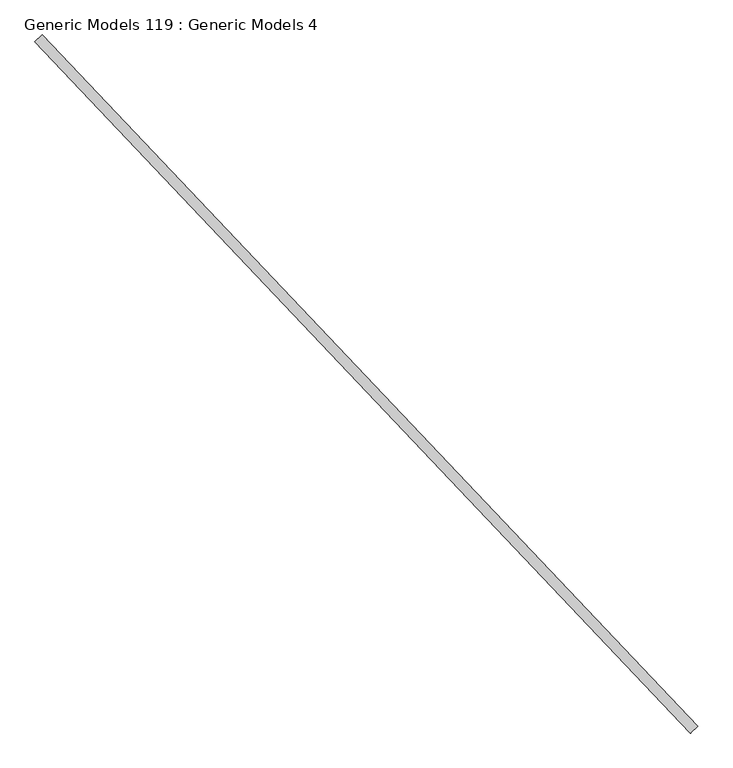
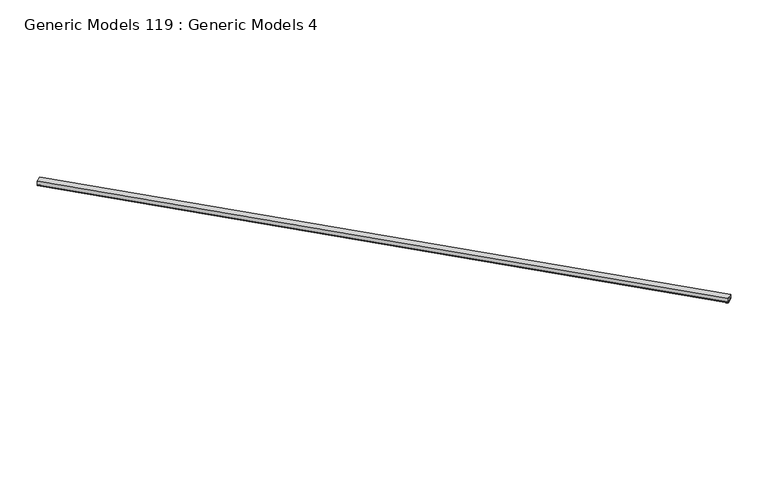
"""IFC4 building model written with IfcOpenShell, lengths in millimetres: proxy geometry, Generic Models 119 : Generic Models 4."""

from ifc_helpers import new_model, si_unit, point, frame, frame_2d, origin, place, context, project, spatial, polyline, circle_curve, trimmed, segment, composite_curve, outline, extrude, source, transform, mapped, element, save


def generic_models_119_generic_models_4_d3ab1a5f(model_context):
    return source(origin(), model_context, "Body", "SweptSolid", [
        extrude(outline(composite_curve([segment(trimmed(circle_curve(frame_2d((4.5640625, -96.4899557)), 6.35), [point((9.128125, -92.075))], [point((0.0, -92.075))], True, "CARTESIAN"), True, "CONTINUOUS"), segment(polyline([(0.0, -92.075), (0.0, 0.0)]), True, "CONTINUOUS"), segment(trimmed(circle_curve(frame_2d((4.5640625, 4.4149557)), 6.35), [point((0.0, 0.0))], [point((9.128125, 0.0))], True, "CARTESIAN"), True, "CONTINUOUS"), segment(polyline([(9.128125, 0.0), (9.128125, -92.075)]), True, "CONTINUOUS")], self_intersect=False)), frame((113487.6941549, 53751.1437924, 16562.829748), z_axis=(-0.6883545756936593, 0.7253743710123776, 0.0), x_axis=(0.0, 0.0, 1.0)), (0.0, 0.0, 1.0), 8832.85),
        extrude(outline(polyline([(113487.6941549, 53751.1437924), (113420.9053097, 53687.7635448), (107340.7725958, 60094.8865578), (107407.561441, 60158.2668054), (113487.6941549, 53751.1437924)])), frame((0.0, 0.0, 16572.354748), z_axis=(0.0, 0.0, 1.0), x_axis=(1.0, 0.0, 0.0)), (0.0, 0.0, 1.0), 57.15),
    ])


if __name__ == "__main__":
    model = new_model("IFC4")
    model_context = context("Model", 3, world=origin())
    ifc_project = project(units=[si_unit("LENGTHUNIT", "METRE", prefix="MILLI")], contexts=[model_context])
    site = spatial("IfcSite", under=ifc_project)
    building = spatial("IfcBuilding", under=site)
    placement = place(None, origin())
    generic_models_119_generic_models_4_shape = generic_models_119_generic_models_4_d3ab1a5f(model_context)
    element("IfcBuildingElementProxy", 1, Name="Generic Models 119 : Generic Models 4", ObjectType="Generic Models 119 : Generic Models 4", at=placement, inside=building, context=model_context, shape_type="MappedRepresentation", body=[
        mapped(generic_models_119_generic_models_4_shape, transform((0.0, 0.0, 0.0), x_axis=(1.0, 0.0, 0.0), y_axis=(0.0, 1.0, 0.0), z_axis=(0.0, 0.0, 1.0))),
    ])
    save(model, "model.ifc")
